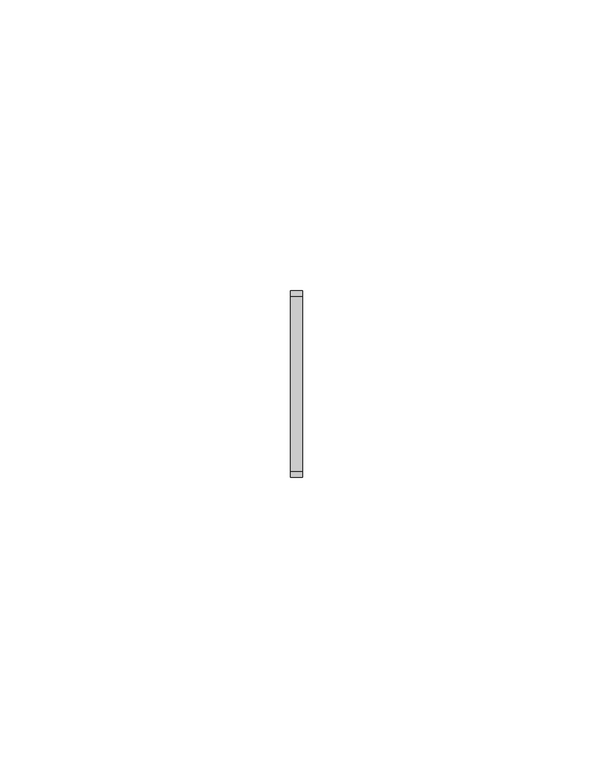
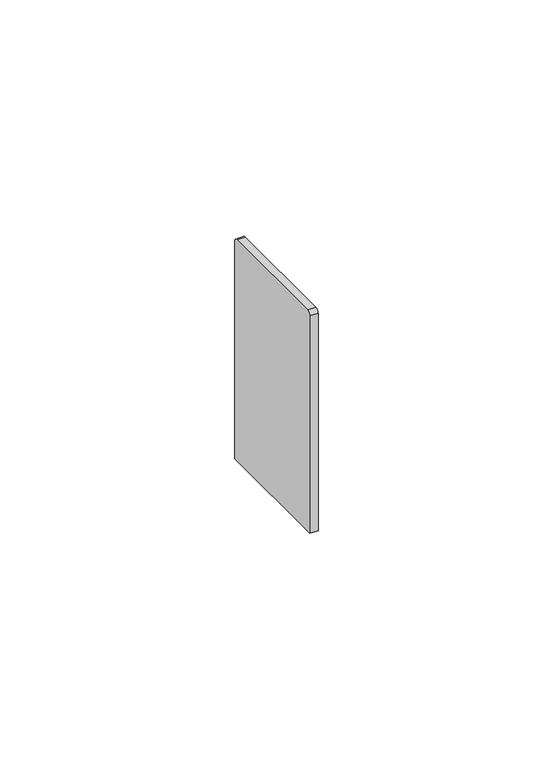
"""IFC4 building model written with IfcOpenShell, lengths in millimetres: proxy geometry."""

import ifcopenshell
import ifcopenshell.guid

model = None  # the IFC model being written
_history = None  # IfcOwnerHistory: only IFC2X3 demands one
_inside = {}  # id of a spatial element -> (the spatial element, [elements in it])
_under = {}  # id of a project, library or spatial element -> (it, [spatial elements below it])
_declared = {}  # id of a project -> (the project, [libraries it declares])
_typed = {}  # id of a type object -> (the type object, [elements of that type])
_made_of = {}  # id of a material, layer set ... -> (it, [elements and type objects made of it])


def new_model(schema):
    """Start an empty IFC model of exactly this schema.

    Asked for "IFC4X3", IfcOpenShell would pick the latest addendum, in which some entities
    have other attributes; the version numbers below select the first issue.
    IFC2X3 requires an IfcOwnerHistory on every rooted entity: one is made here for all.
    """
    global model, _history
    if schema == "IFC4X3":
        model = ifcopenshell.file(schema_version=(4, 3, 0, 0))
    else:
        model = ifcopenshell.file(schema=schema)
    _inside.clear()
    _under.clear()
    _declared.clear()
    _typed.clear()
    _made_of.clear()
    _history = None
    if model.schema == "IFC2X3":
        org = make("IfcOrganization", Name="unknown")
        user = make(
            "IfcPersonAndOrganization",
            ThePerson=make("IfcPerson", FamilyName="unknown"),
            TheOrganization=org,
        )
        app = make(
            "IfcApplication",
            ApplicationDeveloper=org,
            Version="unknown",
            ApplicationFullName="unknown",
            ApplicationIdentifier="unknown",
        )
        _history = make(
            "IfcOwnerHistory",
            OwningUser=user,
            OwningApplication=app,
            ChangeAction="ADDED",
            CreationDate=0,
        )
    return model


def make(cls, **values):
    """One entity of the class cls with the attributes given. An attribute that is None is left unset."""
    return model.create_entity(
        cls, **{name: value for name, value in values.items() if value is not None}
    )


def rooted(cls, **values):
    """An entity with a GlobalId (a new one), such as an element, a storey or a relation."""
    return make(cls, GlobalId=ifcopenshell.guid.new(), OwnerHistory=_history, **values)


def si_unit(unit_type, name, prefix=None):
    """IfcSIUnit, for example si_unit("LENGTHUNIT", "METRE", prefix="MILLI")."""
    return make("IfcSIUnit", UnitType=unit_type, Prefix=prefix, Name=name)


def assignment(units):
    """IfcUnitAssignment: the units of a project."""
    return None if units is None else make("IfcUnitAssignment", Units=units)


def point(xyz):
    """IfcCartesianPoint."""
    return None if xyz is None else make("IfcCartesianPoint", Coordinates=xyz)


def direction(xyz):
    """IfcDirection."""
    return None if xyz is None else make("IfcDirection", DirectionRatios=xyz)


def frame(location, z_axis=None, x_axis=None):
    """IfcAxis2Placement3D, a coordinate frame: its origin and axes. An axis left out is left unset."""
    return make(
        "IfcAxis2Placement3D",
        Location=point(location),
        Axis=direction(z_axis),
        RefDirection=direction(x_axis),
    )


def frame_2d(location, x_axis=None):
    """IfcAxis2Placement2D, a coordinate frame in the plane: its origin and x axis."""
    return make(
        "IfcAxis2Placement2D", Location=point(location), RefDirection=direction(x_axis)
    )


def origin():
    """The frame at (0, 0, 0) with its axes left unset."""
    return frame((0.0, 0.0, 0.0))


def place(relative_to, where):
    """IfcLocalPlacement: puts the frame where relative to a parent placement (None: the world)."""
    return make(
        "IfcLocalPlacement", PlacementRelTo=relative_to, RelativePlacement=where
    )


def context(
    kind, dimensions, precision=None, world=None, true_north=None, identifier=None
):
    """IfcGeometricRepresentationContext, for example the 3D "Model" context."""
    return make(
        "IfcGeometricRepresentationContext",
        ContextIdentifier=identifier,
        ContextType=kind,
        CoordinateSpaceDimension=dimensions,
        Precision=precision,
        WorldCoordinateSystem=world,
        TrueNorth=true_north,
    )


def project(units=None, contexts=None):
    """IfcProject with its units and contexts."""
    return rooted(
        "IfcProject",
        Name="project",
        RepresentationContexts=contexts,
        UnitsInContext=assignment(units),
    )


def spatial(cls, under=None, at=None, **own):
    """A site, building, storey or space (cls), placed at a placement, below another one or the project."""
    s = rooted(cls, ObjectPlacement=at, **own)
    if under is not None:
        _under.setdefault(under.id(), (under, []))[1].append(s)
    return s


def polyline(points):
    """IfcPolyline through the points."""
    return make("IfcPolyline", Points=[point(p) for p in points])


def circle_curve(where, radius):
    """IfcCircle in the frame where."""
    return make("IfcCircle", Position=where, Radius=radius)


def trimmed(basis, trim1, trim2, sense, master):
    """IfcTrimmedCurve: the piece of a basis curve between two trims."""
    return make(
        "IfcTrimmedCurve",
        BasisCurve=basis,
        Trim1=trim1,
        Trim2=trim2,
        SenseAgreement=sense,
        MasterRepresentation=master,
    )


def segment(curve, same_sense, transition):
    """IfcCompositeCurveSegment."""
    return make(
        "IfcCompositeCurveSegment",
        Transition=transition,
        SameSense=same_sense,
        ParentCurve=curve,
    )


def composite_curve(segments, self_intersect=None):
    """IfcCompositeCurve: segments joined end to end."""
    return make("IfcCompositeCurve", Segments=segments, SelfIntersect=self_intersect)


def outline(outer, holes=None, kind="AREA"):
    """IfcArbitraryClosedProfileDef: a profile drawn as a closed curve; with holes, ...WithVoids."""
    if holes is None:
        return make("IfcArbitraryClosedProfileDef", ProfileType=kind, OuterCurve=outer)
    return make(
        "IfcArbitraryProfileDefWithVoids",
        ProfileType=kind,
        OuterCurve=outer,
        InnerCurves=holes,
    )


def extrude(swept, where, along, depth):
    """IfcExtrudedAreaSolid: the profile swept, set in the frame where, extruded along a direction by depth."""
    return make(
        "IfcExtrudedAreaSolid",
        SweptArea=swept,
        Position=where,
        ExtrudedDirection=direction(along),
        Depth=depth,
    )


def shape(context_of_items, identifier, shape_type, items):
    """IfcShapeRepresentation: the items that make up one representation, for example the "Body"."""
    return make(
        "IfcShapeRepresentation",
        ContextOfItems=context_of_items,
        RepresentationIdentifier=identifier,
        RepresentationType=shape_type,
        Items=items,
    )


def source(mapping_origin, context_of_items, identifier, shape_type, items):
    """IfcRepresentationMap: a shape defined once, which mapped items show again and again."""
    return make(
        "IfcRepresentationMap",
        MappingOrigin=mapping_origin,
        MappedRepresentation=shape(context_of_items, identifier, shape_type, items),
    )


def transform(
    local_origin,
    x_axis=None,
    y_axis=None,
    z_axis=None,
    scale=None,
    scale2=None,
    scale3=None,
    uniform=True,
):
    """IfcCartesianTransformationOperator3D, or its non-uniform kind. x_axis, y_axis, z_axis: its Axis1, 2, 3."""
    if uniform:
        return make(
            "IfcCartesianTransformationOperator3D",
            Axis1=direction(x_axis),
            Axis2=direction(y_axis),
            LocalOrigin=point(local_origin),
            Scale=scale,
            Axis3=direction(z_axis),
        )
    return make(
        "IfcCartesianTransformationOperator3DnonUniform",
        Axis1=direction(x_axis),
        Axis2=direction(y_axis),
        LocalOrigin=point(local_origin),
        Scale=scale,
        Axis3=direction(z_axis),
        Scale2=scale2,
        Scale3=scale3,
    )


def mapped(mapping_source, mapping_target):
    """IfcMappedItem: shows the shape of a source again, moved by a transform."""
    return make(
        "IfcMappedItem", MappingSource=mapping_source, MappingTarget=mapping_target
    )


def made_of(thing, what):
    """Note that an element or type object is made of a material, layer set ...; save() writes the relation."""
    if what is not None:
        _made_of.setdefault(what.id(), (what, []))[1].append(thing)
    return thing


def element(
    cls,
    number,
    at=None,
    inside=None,
    cuts=None,
    type_object=None,
    material=None,
    context=None,
    identifier="Body",
    shape_type=None,
    held_by="IfcProductDefinitionShape",
    body=None,
    shapes=None,
    **own,
):
    """One element of the class cls, such as IfcWall. Its Tag is "e" and its number.

    at: its placement. inside: the storey or other place that contains it. cuts: it is an
    opening in that element (IfcRelVoidsElement). A single representation is given by context,
    identifier, shape_type and body (its items); several are given by shapes. held_by: the class
    of the entity that holds the representations. save() writes the other relations.
    """
    e = rooted(cls, Tag="e%d" % number, ObjectPlacement=at, **own)
    if body is not None:
        shapes = [shape(context, identifier, shape_type, body)]
    if shapes is not None:
        e.Representation = make(held_by, Representations=shapes)
    if inside is not None:
        _inside.setdefault(inside.id(), (inside, []))[1].append(e)
    if cuts is not None:
        rooted(
            "IfcRelVoidsElement", RelatingBuildingElement=cuts, RelatedOpeningElement=e
        )
    if type_object is not None:
        _typed.setdefault(type_object.id(), (type_object, []))[1].append(e)
    return made_of(e, material)


def aggregate(whole, parts):
    """IfcRelAggregates: a whole, such as a stair, and the parts it consists of."""
    return rooted("IfcRelAggregates", RelatingObject=whole, RelatedObjects=parts)


def save(model, path):
    """Write the relations noted so far, then the file.

    IfcRelAggregates (storeys below a building ...), IfcRelContainedInSpatialStructure (elements
    in a storey), IfcRelDefinesByType, IfcRelAssociatesMaterial and IfcRelDeclares: one each for
    every whole, place, type object, material and project.
    """
    for whole, parts in _under.values():
        aggregate(whole, parts)
    for where, things in _inside.values():
        rooted(
            "IfcRelContainedInSpatialStructure",
            RelatedElements=things,
            RelatingStructure=where,
        )
    for kind, things in _typed.values():
        rooted("IfcRelDefinesByType", RelatedObjects=things, RelatingType=kind)
    for what, things in _made_of.values():
        rooted("IfcRelAssociatesMaterial", RelatedObjects=things, RelatingMaterial=what)
    for by, libraries in _declared.values():
        rooted("IfcRelDeclares", RelatingContext=by, RelatedDefinitions=libraries)
    model.write(path)


def generic_models_8e694b5b(model_context):
    return source(origin(), model_context, "Body", "SweptSolid", [
        extrude(outline(composite_curve([segment(polyline([(-16.0, 0.0), (-16.0, 56.5)]), True, "CONTINUOUS"), segment(trimmed(circle_curve(frame_2d((-15.0, 56.5)), 1.0), [point((-16.0, 56.5))], [point((-15.0, 57.5))], False, "CARTESIAN"), True, "CONTINUOUS"), segment(polyline([(-15.0, 57.5), (15.0, 57.5)]), True, "CONTINUOUS"), segment(trimmed(circle_curve(frame_2d((15.0, 56.5)), 1.0), [point((15.0, 57.5))], [point((16.0, 56.5))], False, "CARTESIAN"), True, "CONTINUOUS"), segment(polyline([(16.0, 56.5), (16.0, 0.0), (-16.0, 0.0)]), True, "CONTINUOUS")], self_intersect=False)), frame((0.0, 0.0, 0.0), z_axis=(1.0, 0.0, 0.0), x_axis=(0.0, 1.0, 0.0)), (0.0, 0.0, 1.0), 2.0),
    ])


if __name__ == "__main__":
    model = new_model("IFC4")
    model_context = context("Model", 3, world=origin())
    ifc_project = project(units=[si_unit("LENGTHUNIT", "METRE", prefix="MILLI")], contexts=[model_context])
    site = spatial("IfcSite", under=ifc_project)
    building = spatial("IfcBuilding", under=site)
    placement = place(None, origin())
    generic_models_shape = generic_models_8e694b5b(model_context)
    element("IfcBuildingElementProxy", 1, Name="Generic Models", at=placement, inside=building, context=model_context, shape_type="MappedRepresentation", body=[
        mapped(generic_models_shape, transform((0.0, 0.0, 0.0), x_axis=(1.0, 0.0, 0.0), y_axis=(0.0, 1.0, 0.0), z_axis=(0.0, 0.0, 1.0))),
    ])
    save(model, "model.ifc")
